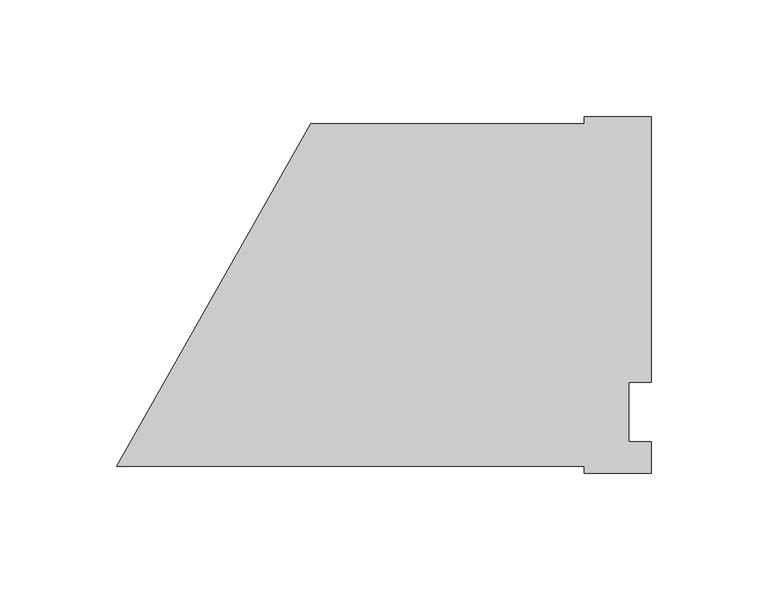
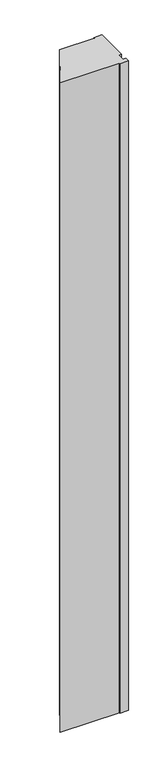
"""IFC4 building model written with IfcOpenShell, lengths in millimetres: proxy geometry."""

from ifc_helpers import new_model, si_unit, frame, origin, place, context, project, spatial, polyline, outline, extrude, source, transform, mapped, element, save


def specialty_equipment_578b424b(model_context):
    return source(origin(), model_context, "Body", "SweptSolid", [
        extrude(outline(polyline([(228.6, -26.19375), (199.9581978, -26.19375), (199.9581978, -23.33625), (0.0, -23.33625), (82.99038, 123.34875), (200.0711005, 123.34875), (200.0711005, 126.20625), (228.6, 126.20625), (228.6, 12.7), (219.075, 12.7), (219.075, -12.7), (228.6, -12.7), (228.6, -26.19375)])), frame((0.0, 0.0, 50.8), z_axis=(0.0, 0.0, 1.0), x_axis=(1.0, 0.0, 0.0)), (0.0, 0.0, 1.0), 2324.1),
    ])


if __name__ == "__main__":
    model = new_model("IFC4")
    model_context = context("Model", 3, world=origin())
    ifc_project = project(units=[si_unit("LENGTHUNIT", "METRE", prefix="MILLI")], contexts=[model_context])
    site = spatial("IfcSite", under=ifc_project)
    building = spatial("IfcBuilding", under=site)
    placement = place(None, origin())
    specialty_equipment_shape = specialty_equipment_578b424b(model_context)
    element("IfcBuildingElementProxy", 1, Name="Specialty Equipment", at=placement, inside=building, context=model_context, shape_type="MappedRepresentation", body=[
        mapped(specialty_equipment_shape, transform((0.0, 0.0, 0.0), x_axis=(1.0, 0.0, 0.0), y_axis=(0.0, 1.0, 0.0), z_axis=(0.0, 0.0, 1.0))),
    ])
    save(model, "model.ifc")
